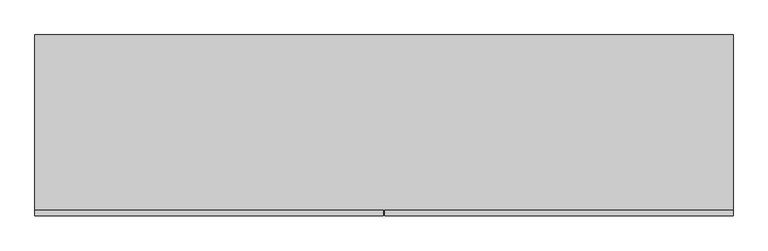
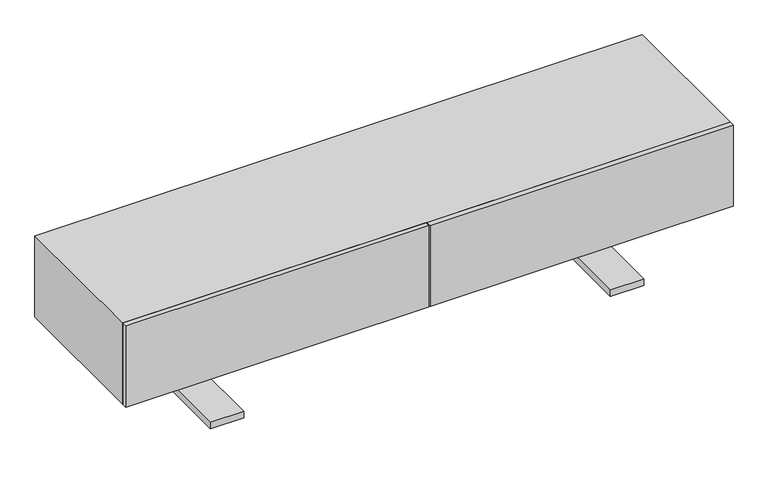
"""IFC4 building model written with IfcOpenShell, lengths in millimetres: furniture geometry."""

from ifc_helpers import new_model, si_unit, frame, origin, place, context, project, spatial, polyline, outline, extrude, faceted_brep, source, transform, mapped, element, save


def furniture_243ac70d(model_context):
    return source(origin(), model_context, "Body", "SolidModel", [
        faceted_brep([(-600.6462619, -54.3141225, 165.1), (-581.5962619, -54.3141225, 165.1), (-581.5962619, -13.8140652, 165.1), (580.9414181, -13.8140652, 165.1), (580.9414181, -54.3141225, 165.1), (599.9914181, -54.3141225, 165.1), (599.9914181, 43.6910418, 165.1), (580.9414181, 43.6910418, 165.1), (580.9414181, 5.4884, 165.1), (-581.5962619, 5.4884, 165.1), (-581.5962619, 43.6910418, 165.1), (-600.6462619, 43.6910418, 165.1), (-600.6462619, -54.3141225, 19.8859728), (-581.5962619, -54.3141225, 19.8859728), (-581.5962619, -13.8140652, 19.8859728), (-543.1462106, -13.8140652, 114.3), (542.4913668, -13.8140652, 114.3), (542.4913668, -13.8140652, 19.8859728), (580.9414181, -13.8140652, 19.8859728), (-543.1462106, -13.8140652, 19.8859728), (-543.1462106, 5.4884, 114.3), (-543.1462106, -228.6040836, 19.8859728), (-543.1462106, -228.6040836, 0.0), (-543.1462106, 219.9758393, 0.0), (-543.1462106, 219.9758393, 19.8859728), (-543.1462106, 5.4884, 19.8859728), (542.4913668, 5.4884, 114.3), (-581.5962619, 5.4884, 19.8859728), (580.9414181, 5.4884, 19.8859728), (542.4913668, 5.4884, 19.8859728), (-581.5962619, 43.6910418, 19.8859728), (-600.6462619, 43.6910418, 19.8859728), (580.9414181, -54.3141225, 19.8859728), (599.9914181, -54.3141225, 19.8859728), (542.4913668, 219.9758393, 19.8859728), (542.4913668, 219.9758393, 0.0), (542.4913668, -228.6040836, 0.0), (542.4913668, -228.6040836, 19.8859728), (580.9414181, 43.6910418, 19.8859728), (599.9914181, 43.6910418, 19.8859728), (-642.1462724, 219.9758393, 19.8859728), (-642.1462724, -228.6040836, 19.8859728), (-642.1462724, -228.6040836, 0.0), (-642.1462724, 219.9758393, 0.0), (641.4914286, -228.6040836, 19.8859728), (641.4914286, 219.9758393, 19.8859728), (641.4914286, 219.9758393, 0.0), (641.4914286, -228.6040836, 0.0)], [[[0, 1, 2, 3, 4, 5, 6, 7, 8, 9, 10, 11]], [[1, 0, 12, 13]], [[2, 1, 13, 14]], [[15, 16, 17, 18, 3, 2, 14, 19]], [[20, 15, 19, 21, 22, 23, 24, 25]], [[26, 20, 25, 27, 9, 8, 28, 29]], [[10, 9, 27, 30]], [[11, 10, 30, 31]], [[0, 11, 31, 12]], [[20, 26, 16, 15]], [[5, 4, 32, 33]], [[4, 3, 18, 32]], [[26, 29, 34, 35, 36, 37, 17, 16]], [[8, 7, 38, 28]], [[7, 6, 39, 38]], [[6, 5, 33, 39]], [[24, 40, 41, 21, 19, 14, 13, 12, 31, 30, 27, 25]], [[23, 22, 42, 43]], [[40, 24, 23, 43]], [[41, 40, 43, 42]], [[21, 41, 42, 22]], [[37, 44, 45, 34, 29, 28, 38, 39, 33, 32, 18, 17]], [[35, 46, 47, 36]], [[34, 45, 46, 35]], [[45, 44, 47, 46]], [[44, 37, 36, 47]]]),
        extrude(outline(polyline([(898.525, -225.425), (898.525, -240.42624), (1.984375, -240.42624), (1.984375, -225.425), (898.525, -225.425)])), frame((0.0, 0.0, 165.1), z_axis=(0.0, 0.0, 1.0), x_axis=(1.0, 0.0, 0.0)), (0.0, 0.0, 1.0), 254.0),
        extrude(outline(polyline([(-1.984375, -225.425), (-1.984375, -240.42624), (-898.525, -240.42624), (-898.525, -225.425), (-1.984375, -225.425)])), frame((0.0, 0.0, 165.1), z_axis=(0.0, 0.0, 1.0), x_axis=(1.0, 0.0, 0.0)), (0.0, 0.0, 1.0), 254.0),
        extrude(outline(polyline([(898.525, 225.425), (898.525, -225.425), (-898.525, -225.425), (-898.525, 225.425), (898.525, 225.425)])), frame((0.0, 0.0, 165.1), z_axis=(0.0, 0.0, 1.0), x_axis=(1.0, 0.0, 0.0)), (0.0, 0.0, 1.0), 254.0),
    ])


if __name__ == "__main__":
    model = new_model("IFC4")
    model_context = context("Model", 3, world=origin())
    ifc_project = project(units=[si_unit("LENGTHUNIT", "METRE", prefix="MILLI")], contexts=[model_context])
    site = spatial("IfcSite", under=ifc_project)
    building = spatial("IfcBuilding", under=site)
    placement = place(None, origin())
    furniture_shape = furniture_243ac70d(model_context)
    element("IfcFurniture", 1, at=placement, inside=building, context=model_context, shape_type="MappedRepresentation", body=[
        mapped(furniture_shape, transform((0.0, 0.0, 0.0), x_axis=(1.0, 0.0, 0.0), y_axis=(0.0, 1.0, 0.0), z_axis=(0.0, 0.0, 1.0))),
    ])
    save(model, "model.ifc")
